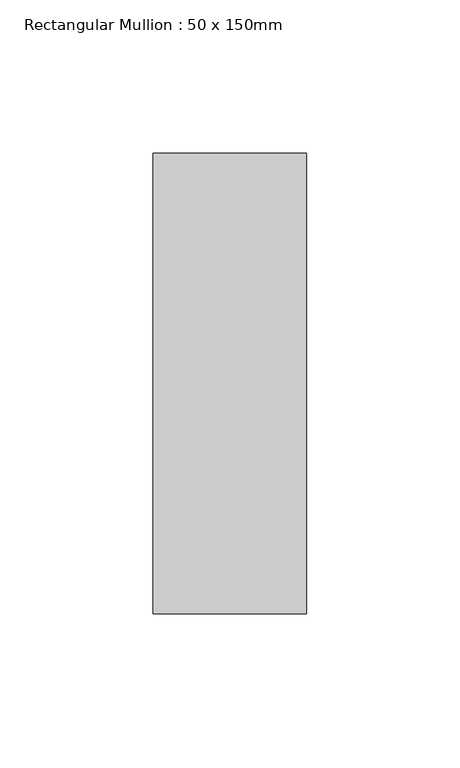
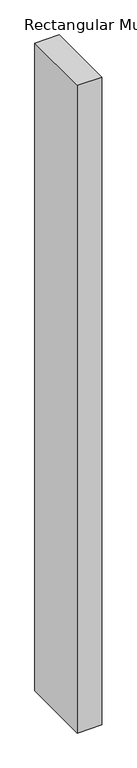
"""IFC4 building model written with IfcOpenShell, lengths in millimetres: member geometry, Rectangular Mullion : 50 x 150mm."""

from ifc_helpers import new_model, si_unit, frame, origin, place, context, project, spatial, polyline, outline, extrude, source, transform, mapped, element, save


def rectangular_mullion_50_x_150mm_0ac3c94c(model_context):
    return source(origin(), model_context, "Body", "SweptSolid", [
        extrude(outline(polyline([(0.0, 75.0), (0.0, -75.0), (-50.0, -75.0), (-50.0, 75.0), (0.0, 75.0)])), frame((0.0, 0.0, -1400.0), z_axis=(0.0, 0.0, 1.0), x_axis=(1.0, 0.0, 0.0)), (0.0, 0.0, 1.0), 1400.0),
    ])


if __name__ == "__main__":
    model = new_model("IFC4")
    model_context = context("Model", 3, world=origin())
    ifc_project = project(units=[si_unit("LENGTHUNIT", "METRE", prefix="MILLI")], contexts=[model_context])
    site = spatial("IfcSite", under=ifc_project)
    building = spatial("IfcBuilding", under=site)
    placement = place(None, origin())
    rectangular_mullion_50_x_150mm_shape = rectangular_mullion_50_x_150mm_0ac3c94c(model_context)
    element("IfcMember", 1, ObjectType="Rectangular Mullion : 50 x 150mm", at=placement, inside=building, context=model_context, shape_type="MappedRepresentation", body=[
        mapped(rectangular_mullion_50_x_150mm_shape, transform((0.0, 0.0, 0.0), x_axis=(1.0, 0.0, 0.0), y_axis=(0.0, 1.0, 0.0), z_axis=(0.0, 0.0, 1.0))),
    ])
    save(model, "model.ifc")
